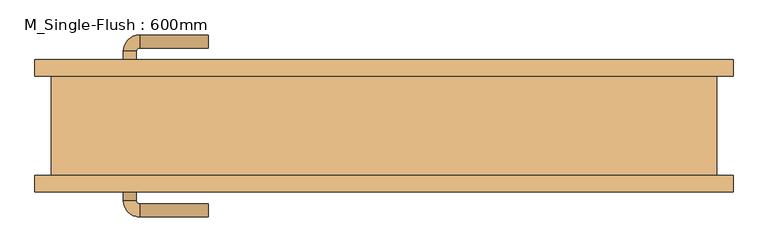
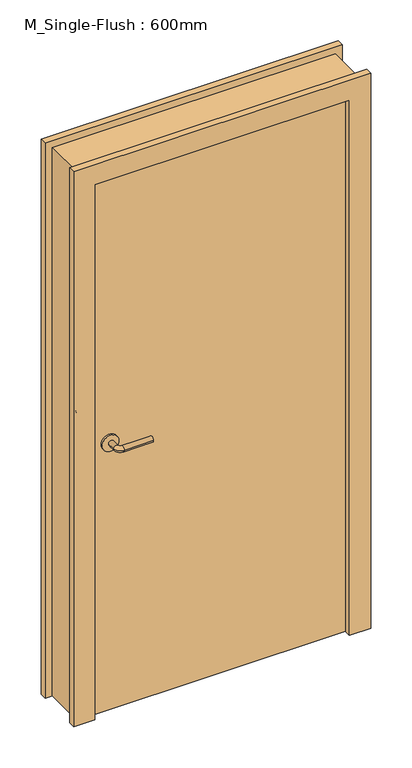
"""IFC4 building model written with IfcOpenShell, lengths in millimetres: door geometry, M_Single-Flush : 600mm."""

from ifc_helpers import new_model, si_unit, point, frame, frame_2d, origin, origin_with_axes, place, context, project, spatial, polyline, circle_curve, ellipse_curve, trimmed, segment, composite_curve, outline, extrude, source, transform, mapped, element, save
from ifc_brep_helpers import plane_surface, cylinder_surface, revolved_surface, advanced_brep


def m_single_flush_600mm_4b3b26e5(model_context):
    return source(origin(), model_context, "Body", "SolidModel", [
        advanced_brep(
        [(-399.7389046, -84.2, 1016.0), (-379.7389046, -84.2, 1016.0), (-379.7389046, -114.2, 1016.0), (-399.7389046, -114.2, 1016.0), (-374.7389046, -119.2, 1016.0), (-374.7389046, -139.2, 1016.0), (-269.7389046, -139.2, 1016.0), (-269.7389046, -119.2, 1016.0)],
        [
            (0, 1, circle_curve(frame((-389.7389046, -84.2, 1016.0), z_axis=(0.0, 1.0, 0.0), x_axis=(1.0, 0.0, 0.0)), 10.0)),
            (1, 0, circle_curve(frame((-389.7389046, -84.2, 1016.0), z_axis=(0.0, 1.0, 0.0), x_axis=(1.0, 0.0, 0.0)), 10.0)),
            (1, 2),
            (2, 3, circle_curve(frame((-389.7389046, -114.2, 1016.0), z_axis=(0.0, 1.0, 0.0), x_axis=(1.0, 0.0, 0.0)), 10.0)),
            (3, 0),
            (3, 2, circle_curve(frame((-389.7389046, -114.2, 1016.0), z_axis=(0.0, 1.0, 0.0), x_axis=(1.0, 0.0, 0.0)), 10.0)),
            (4, 5, circle_curve(frame((-374.7389046, -129.2, 1016.0), z_axis=(-1.0, 0.0, 0.0), x_axis=(0.0, 1.0, 0.0)), 10.0)),
            (5, 3, circle_curve(frame((-374.7389046, -114.2, 1016.0), z_axis=(0.0, 0.0, -1.0), x_axis=(-1.0, 0.0, 0.0)), 25.0)),
            (2, 4, circle_curve(frame((-374.7389046, -114.2, 1016.0), z_axis=(0.0, 0.0, 1.0), x_axis=(-1.0, 0.0, 0.0)), 5.0)),
            (5, 4, circle_curve(frame((-374.7389046, -129.2, 1016.0), z_axis=(-1.0, 0.0, 0.0), x_axis=(0.0, 1.0, 0.0)), 10.0)),
            (6, 7, circle_curve(frame((-269.7389046, -129.2, 1016.0), z_axis=(1.0, 0.0, 0.0), x_axis=(0.0, 1.0, 0.0)), 10.0)),
            (7, 6, circle_curve(frame((-269.7389046, -129.2, 1016.0), z_axis=(1.0, 0.0, 0.0), x_axis=(0.0, 1.0, 0.0)), 10.0)),
            (4, 7),
            (6, 5),
        ],
        [
            plane_surface(frame((-389.7389046, -84.2, 1016.0), z_axis=(0.0, 1.0, 0.0), x_axis=(0.0, 0.0, 1.0))),
            cylinder_surface(frame((-389.7389046, -84.2, 1016.0), z_axis=(0.0, 1.0, 0.0), x_axis=(1.0, 0.0, 0.0)), 10.0),
            revolved_surface(trimmed(ellipse_curve(frame((-389.7389046, -114.2, 1016.0), z_axis=(0.0, -1.0, 0.0), x_axis=(1.0, 0.0, 0.0)), 10.0, 10.0), [point((-399.7389046, -114.2, 1016.0))], [point((-379.7389046, -114.2, 1016.0))], True, "CARTESIAN"), (-374.7389046, -114.2, 1016.0), (0.0, 0.0, -1.0)),
            revolved_surface(trimmed(ellipse_curve(frame((-389.7389046, -114.2, 1016.0), z_axis=(0.0, -1.0, 0.0), x_axis=(1.0, 0.0, 0.0)), 10.0, 10.0), [point((-379.7389046, -114.2, 1016.0))], [point((-399.7389046, -114.2, 1016.0))], True, "CARTESIAN"), (-374.7389046, -114.2, 1016.0), (0.0, 0.0, -1.0)),
            plane_surface(frame((-269.7389046, -129.2, 1016.0), z_axis=(1.0, 0.0, 0.0), x_axis=(0.0, 0.0, 1.0))),
            cylinder_surface(frame((-374.7389046, -129.2, 1016.0), z_axis=(-1.0, 0.0, 0.0), x_axis=(0.0, 1.0, 0.0)), 10.0),
        ],
        [
            (0, [[1, 2]]),
            (1, [[3, 4, 5, -2]]),
            (1, [[-5, 6, -3, -1]]),
            (2, [[7, 8, -4, 9]]),
            (3, [[10, -9, -6, -8]]),
            (4, [[11, 12]]),
            (5, [[13, -11, 14, -7]]),
            (5, [[-14, -12, -13, -10]]),
        ],
    ),
        extrude(outline(composite_curve([segment(trimmed(circle_curve(frame_2d((1016.0, -392.2389046)), 30.0), [point((1016.0, -422.2389046))], [point((1016.0, -362.2389046))], False, "CARTESIAN"), True, "CONTINUOUS"), segment(trimmed(circle_curve(frame_2d((1016.0, -392.2389046)), 30.0), [point((1016.0, -362.2389046))], [point((1016.0, -422.2389046))], False, "CARTESIAN"), True, "CONTINUOUS")], self_intersect=False)), frame((0.0, -84.2, 0.0), z_axis=(0.0, 1.0, 0.0), x_axis=(0.0, 0.0, 1.0)), (0.0, 0.0, 1.0), 8.0),
        advanced_brep(
        [(-399.7389046, 84.2, 1016.0), (-379.7389046, 84.2, 1016.0), (-399.7389046, 114.2, 1016.0), (-379.7389046, 114.2, 1016.0), (-374.7389046, 119.2, 1016.0), (-374.7389046, 139.2, 1016.0), (-269.7389046, 139.2, 1016.0), (-269.7389046, 119.2, 1016.0)],
        [
            (0, 1, circle_curve(frame((-389.7389046, 84.2, 1016.0), z_axis=(0.0, -1.0, 0.0), x_axis=(1.0, 0.0, 0.0)), 10.0)),
            (1, 0, circle_curve(frame((-389.7389046, 84.2, 1016.0), z_axis=(0.0, -1.0, 0.0), x_axis=(1.0, 0.0, 0.0)), 10.0)),
            (0, 2),
            (2, 3, circle_curve(frame((-389.7389046, 114.2, 1016.0), z_axis=(0.0, -1.0, 0.0), x_axis=(1.0, 0.0, 0.0)), 10.0)),
            (3, 1),
            (3, 2, circle_curve(frame((-389.7389046, 114.2, 1016.0), z_axis=(0.0, -1.0, 0.0), x_axis=(1.0, 0.0, 0.0)), 10.0)),
            (4, 3, circle_curve(frame((-374.7389046, 114.2, 1016.0), z_axis=(0.0, 0.0, 1.0), x_axis=(-1.0, 0.0, 0.0)), 5.0)),
            (2, 5, circle_curve(frame((-374.7389046, 114.2, 1016.0), z_axis=(0.0, 0.0, -1.0), x_axis=(-1.0, 0.0, 0.0)), 25.0)),
            (5, 4, circle_curve(frame((-374.7389046, 129.2, 1016.0), z_axis=(-1.0, 0.0, 0.0), x_axis=(0.0, -1.0, 0.0)), 10.0)),
            (4, 5, circle_curve(frame((-374.7389046, 129.2, 1016.0), z_axis=(-1.0, 0.0, 0.0), x_axis=(0.0, -1.0, 0.0)), 10.0)),
            (6, 7, circle_curve(frame((-269.7389046, 129.2, 1016.0), z_axis=(1.0, 0.0, 0.0), x_axis=(0.0, -1.0, 0.0)), 10.0)),
            (7, 6, circle_curve(frame((-269.7389046, 129.2, 1016.0), z_axis=(1.0, 0.0, 0.0), x_axis=(0.0, -1.0, 0.0)), 10.0)),
            (5, 6),
            (7, 4),
        ],
        [
            plane_surface(frame((-389.7389046, 84.2, 1016.0), z_axis=(0.0, -1.0, 0.0), x_axis=(0.0, 0.0, 1.0))),
            cylinder_surface(frame((-389.7389046, 84.2, 1016.0), z_axis=(0.0, -1.0, 0.0), x_axis=(1.0, 0.0, 0.0)), 10.0),
            revolved_surface(trimmed(ellipse_curve(frame((-389.7389046, 114.2, 1016.0), z_axis=(0.0, -1.0, 0.0), x_axis=(1.0, 0.0, 0.0)), 10.0, 10.0), [point((-399.7389046, 114.2, 1016.0))], [point((-379.7389046, 114.2, 1016.0))], True, "CARTESIAN"), (-374.7389046, 114.2, 1016.0), (0.0, 0.0, -1.0)),
            revolved_surface(trimmed(ellipse_curve(frame((-389.7389046, 114.2, 1016.0), z_axis=(0.0, -1.0, 0.0), x_axis=(1.0, 0.0, 0.0)), 10.0, 10.0), [point((-379.7389046, 114.2, 1016.0))], [point((-399.7389046, 114.2, 1016.0))], True, "CARTESIAN"), (-374.7389046, 114.2, 1016.0), (0.0, 0.0, -1.0)),
            plane_surface(frame((-269.7389046, 129.2, 1016.0), z_axis=(1.0, 0.0, 0.0), x_axis=(0.0, 0.0, 1.0))),
            cylinder_surface(frame((-374.7389046, 129.2, 1016.0), z_axis=(-1.0, 0.0, 0.0), x_axis=(0.0, -1.0, 0.0)), 10.0),
        ],
        [
            (0, [[1, 2]]),
            (1, [[-1, 3, 4, 5]]),
            (1, [[-2, -5, 6, -3]]),
            (2, [[7, -4, 8, 9]]),
            (3, [[-8, -6, -7, 10]]),
            (4, [[11, 12]]),
            (5, [[-9, 13, -12, 14]]),
            (5, [[-10, -14, -11, -13]]),
        ],
    ),
        extrude(outline(composite_curve([segment(trimmed(circle_curve(frame_2d((1016.0, -392.2389046)), 30.0), [point((1016.0, -422.2389046))], [point((1016.0, -362.2389046))], False, "CARTESIAN"), True, "CONTINUOUS"), segment(trimmed(circle_curve(frame_2d((1016.0, -392.2389046)), 30.0), [point((1016.0, -362.2389046))], [point((1016.0, -422.2389046))], False, "CARTESIAN"), True, "CONTINUOUS")], self_intersect=False)), frame((0.0, 76.2, 0.0), z_axis=(0.0, 1.0, 0.0), x_axis=(0.0, 0.0, 1.0)), (0.0, 0.0, 1.0), 8.0),
        extrude(outline(polyline([(2108.0, -534.7482796), (0.0, -534.7482796), (0.0, -458.7482796), (2032.0, -458.7482796), (2032.0, 455.6517204), (0.0, 455.6517204), (0.0, 531.6517204), (2108.0, 531.6517204), (2108.0, -534.7482796)])), frame((0.0, 76.2, 0.0), z_axis=(0.0, 1.0, 0.0), x_axis=(0.0, 0.0, 1.0)), (0.0, 0.0, 1.0), 25.0),
        extrude(outline(polyline([(2108.0, 531.6517204), (2108.0, -534.7482796), (0.0, -534.7482796), (0.0, -458.7482796), (2032.0, -458.7482796), (2032.0, 455.6517204), (0.0, 455.6517204), (0.0, 531.6517204), (2108.0, 531.6517204)])), frame((0.0, -101.2, 0.0), z_axis=(0.0, 1.0, 0.0), x_axis=(0.0, 0.0, 1.0)), (0.0, 0.0, 1.0), 25.0),
        extrude(outline(polyline([(455.6517204, -76.2), (-458.7482796, -76.2), (-458.7482796, 76.2), (455.6517204, 76.2), (455.6517204, -76.2)])), origin_with_axes(), (0.0, 0.0, 1.0), 2032.0),
        extrude(outline(polyline([(0.0, 455.6517204), (0.0, 506.6517204), (2083.0, 506.6517204), (2083.0, -509.7482796), (0.0, -509.7482796), (0.0, -458.7482796), (2032.0, -458.7482796), (2032.0, 455.6517204), (0.0, 455.6517204)])), frame((0.0, -76.2, 0.0), z_axis=(0.0, 1.0, 0.0), x_axis=(0.0, 0.0, 1.0)), (0.0, 0.0, 1.0), 152.4),
    ])


if __name__ == "__main__":
    model = new_model("IFC4")
    model_context = context("Model", 3, world=origin())
    ifc_project = project(units=[si_unit("LENGTHUNIT", "METRE", prefix="MILLI")], contexts=[model_context])
    site = spatial("IfcSite", under=ifc_project)
    building = spatial("IfcBuilding", under=site)
    placement = place(None, origin())
    m_single_flush_600mm_shape = m_single_flush_600mm_4b3b26e5(model_context)
    element("IfcDoor", 1, ObjectType="M_Single-Flush : 600mm", at=placement, inside=building, context=model_context, shape_type="MappedRepresentation", body=[
        mapped(m_single_flush_600mm_shape, transform((0.0, 0.0, 0.0), x_axis=(1.0, 0.0, 0.0), y_axis=(0.0, 1.0, 0.0), z_axis=(0.0, 0.0, 1.0))),
    ])
    save(model, "model.ifc")
